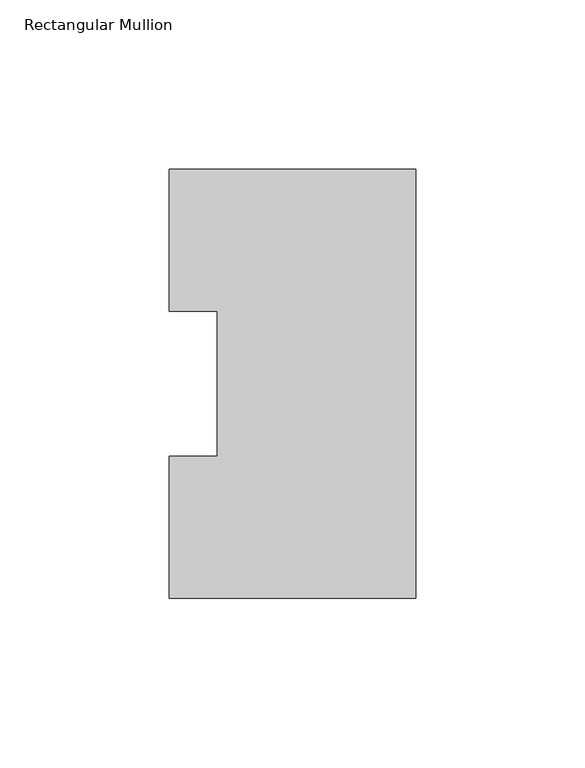
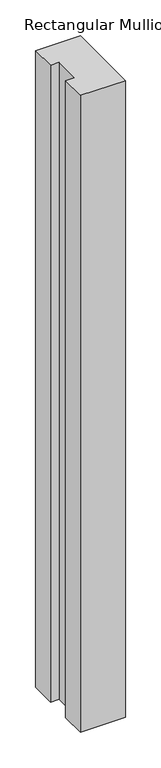
"""IFC4 building model written with IfcOpenShell, lengths in millimetres: member geometry, Rectangular Mullion."""

from ifc_helpers import new_model, si_unit, frame, origin, place, context, project, spatial, polyline, outline, extrude, source, transform, mapped, element, save


def rectangular_mullion_6448df3d(model_context):
    return source(origin(), model_context, "Body", "SweptSolid", [
        extrude(outline(polyline([(0.0, 127.006348), (0.0, 0.0063465), (-73.025, 0.0063465), (-73.025, 42.0814491), (-58.7375, 42.0814491), (-58.7375, 84.93125), (-73.025, 84.93125), (-73.025, 127.006348), (0.0, 127.006348)])), frame((0.0, 0.0, -1092.2), z_axis=(0.0, 0.0, 1.0), x_axis=(1.0, 0.0, 0.0)), (0.0, 0.0, 1.0), 1092.2),
    ])


if __name__ == "__main__":
    model = new_model("IFC4")
    model_context = context("Model", 3, world=origin())
    ifc_project = project(units=[si_unit("LENGTHUNIT", "METRE", prefix="MILLI")], contexts=[model_context])
    site = spatial("IfcSite", under=ifc_project)
    building = spatial("IfcBuilding", under=site)
    placement = place(None, origin())
    rectangular_mullion_shape = rectangular_mullion_6448df3d(model_context)
    element("IfcMember", 1, ObjectType="Rectangular Mullion", at=placement, inside=building, context=model_context, shape_type="MappedRepresentation", body=[
        mapped(rectangular_mullion_shape, transform((0.0, 0.0, 0.0), x_axis=(1.0, 0.0, 0.0), y_axis=(0.0, 1.0, 0.0), z_axis=(0.0, 0.0, 1.0))),
    ])
    save(model, "model.ifc")
